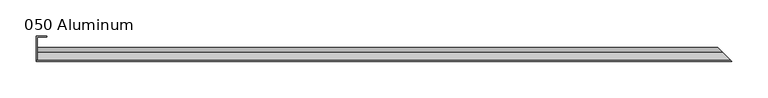
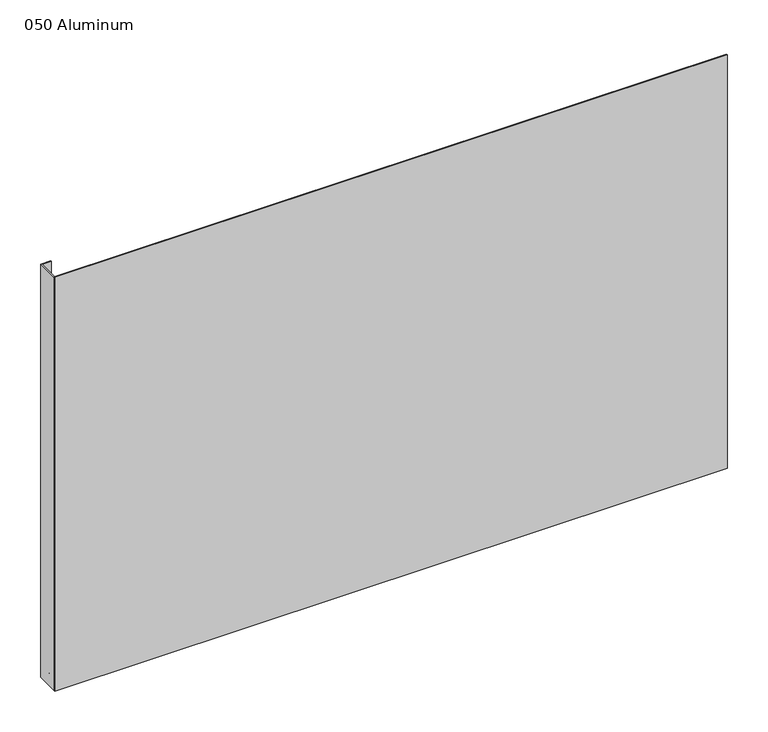
"""IFC4 building model written with IfcOpenShell, lengths in millimetres: plate geometry, 050 Aluminum."""

from ifc_helpers import new_model, si_unit, frame, origin, origin_with_axes, place, context, project, spatial, polyline, circle_curve, ellipse_curve, outline, extrude, source, transform, mapped, element, save
from ifc_brep_helpers import plane_surface, cylinder_surface, revolved_surface, advanced_brep


def plate_050_aluminum_6857f637(model_context):
    return source(origin(), model_context, "Body", "SolidModel", [
        extrude(outline(polyline([(-459.1050001, -2.5660257), (-459.1050001, -34.7980001), (-460.375, -34.7980001), (-460.375, -1.2699999), (-446.2144995, -1.2699999), (-446.2144995, -2.5660257), (-459.1050001, -2.5660257)])), origin_with_axes(), (0.0, 0.0, 1.0), 621.03),
        advanced_brep(
        [(-459.1050001, -16.6765477, 13.1458337), (-459.1050001, -16.6765477, 2.786437), (-459.1050001, -17.9464915, 2.786437), (-459.1050001, -17.9464915, 13.1323356), (-459.1050001, -21.7564743, 13.124237), (-459.1050001, -21.7564743, 0.0), (-459.1050001, -34.7980002, 0.0), (-459.1050001, -34.7980002, 1.2693678), (-459.1050001, -23.0264743, 1.2693678), (-459.1050001, -23.0264743, 13.124237), (477.0515478, -16.6765477, 13.1458337), (477.0515478, -16.6765477, 2.786437), (478.3214916, -17.9464915, 2.786437), (478.3214916, -17.9464915, 13.1323356), (482.1314744, -21.7564743, 13.124237), (482.1314744, -21.7564743, 0.0), (495.1730001, -34.798, 0.0), (495.1730002, -34.7980002, 1.2693678), (483.4014744, -23.0264743, 1.2693678), (483.4014744, -23.0264743, 13.124237)],
        [
            (0, 1),
            (1, 2),
            (2, 3),
            (3, 4, circle_curve(frame((-459.1050001, -19.8514743, 13.124237), z_axis=(1.0, 0.0, 0.0), x_axis=(0.0, 0.0, -1.0)), 1.905)),
            (4, 5),
            (5, 6),
            (6, 7),
            (7, 8),
            (8, 9),
            (9, 0, circle_curve(frame((-459.1050001, -19.8514743, 13.124237), z_axis=(-1.0, 0.0, 0.0), x_axis=(0.0, 0.0, -1.0)), 3.175)),
            (0, 10),
            (10, 11),
            (11, 1),
            (11, 12),
            (12, 2),
            (12, 13),
            (13, 3),
            (13, 14, ellipse_curve(frame((480.2264744, -19.8514743, 13.124237), z_axis=(0.7071067811865491, 0.707106781186546, 0.0), x_axis=(0.7071067811865459, -0.7071067811865491, 0.0)), 2.6940768, 1.905)),
            (14, 4),
            (14, 15),
            (15, 5),
            (15, 16),
            (16, 6),
            (16, 17),
            (17, 7),
            (17, 18),
            (18, 8),
            (18, 19),
            (19, 9),
            (19, 10, ellipse_curve(frame((480.2264744, -19.8514743, 13.124237), z_axis=(-0.7071067811865491, -0.707106781186546, 0.0), x_axis=(-0.7071067811865459, 0.7071067811865491, 0.0)), 4.4901281, 3.175)),
        ],
        [
            plane_surface(frame((-459.1050001, -36.068, 0.0), z_axis=(-1.0, 0.0, 0.0), x_axis=(0.0, 0.0, 1.0))),
            plane_surface(frame((-459.1050001, -16.6765477, 13.1458337), z_axis=(0.0, 1.0, 0.0), x_axis=(1.0, 0.0, 0.0))),
            plane_surface(frame((-459.1050001, -16.6765477, 2.786437), z_axis=(0.0, 0.0, -1.0), x_axis=(1.0, 0.0, 0.0))),
            plane_surface(frame((-459.1050001, -17.9464915, 2.786437), z_axis=(0.0, -1.0, 0.0), x_axis=(1.0, 0.0, 0.0))),
            revolved_surface(polyline([(482.1314744, -19.8514743, 11.219237000000001), (-459.1050001, -19.8514743, 11.219237000000001)]), (-459.1050001, -19.8514743, 13.124237), (1.0, 0.0, 0.0)),
            plane_surface(frame((-459.1050001, -21.7564743, 13.124237), z_axis=(0.0, 1.0, 0.0), x_axis=(1.0, 0.0, 0.0))),
            plane_surface(frame((-459.1050001, -21.7564743, 0.0), z_axis=(0.0, 0.0, -1.0), x_axis=(1.0, 0.0, 0.0))),
            plane_surface(frame((-459.1050001, -34.7980002, 0.0), z_axis=(0.0, -1.0, 0.0), x_axis=(1.0, 0.0, 0.0))),
            plane_surface(frame((-459.1050001, -34.7980002, 1.2693678), z_axis=(0.0, 0.0, 1.0), x_axis=(1.0, 0.0, 0.0))),
            plane_surface(frame((-459.1050001, -23.0264743, 1.2693678), z_axis=(0.0, -1.0, 0.0), x_axis=(1.0, 0.0, 0.0))),
            cylinder_surface(frame((-459.1050001, -19.8514743, 13.124237), z_axis=(-1.0, 0.0, 0.0), x_axis=(0.0, 0.0, -1.0)), 3.175),
            plane_surface(frame((460.3750001, 0.0, 795.4549971), z_axis=(0.7071067811865491, 0.707106781186546, 0.0), x_axis=(0.0, 0.0, -1.0))),
        ],
        [
            (0, [[1, 2, 3, 4, 5, 6, 7, 8, 9, 10]]),
            (1, [[-1, 11, 12, 13]]),
            (2, [[-2, -13, 14, 15]]),
            (3, [[-3, -15, 16, 17]]),
            (4, [[-4, -17, 18, 19]]),
            (5, [[-5, -19, 20, 21]]),
            (6, [[-6, -21, 22, 23]]),
            (7, [[-7, -23, 24, 25]]),
            (8, [[-8, -25, 26, 27]]),
            (9, [[-9, -27, 28, 29]]),
            (10, [[-10, -29, 30, -11]]),
            (11, [[-12, -30, -28, -26, -24, -22, -20, -18, -16, -14]]),
        ],
    ),
        extrude(outline(polyline([(-460.3750001, -36.068), (-460.3750001, -34.7980001), (495.1730002, -34.7980001), (496.4430001, -36.068), (-460.3750001, -36.068)])), origin_with_axes(), (0.0, 0.0, 1.0), 622.3),
    ])


if __name__ == "__main__":
    model = new_model("IFC4")
    model_context = context("Model", 3, world=origin())
    ifc_project = project(units=[si_unit("LENGTHUNIT", "METRE", prefix="MILLI")], contexts=[model_context])
    site = spatial("IfcSite", under=ifc_project)
    building = spatial("IfcBuilding", under=site)
    placement = place(None, origin())
    plate_050_aluminum_shape = plate_050_aluminum_6857f637(model_context)
    element("IfcPlate", 1, ObjectType="050 Aluminum", at=placement, inside=building, context=model_context, shape_type="MappedRepresentation", body=[
        mapped(plate_050_aluminum_shape, transform((0.0, 0.0, 0.0), x_axis=(1.0, 0.0, 0.0), y_axis=(0.0, 1.0, 0.0), z_axis=(0.0, 0.0, 1.0))),
    ])
    save(model, "model.ifc")
